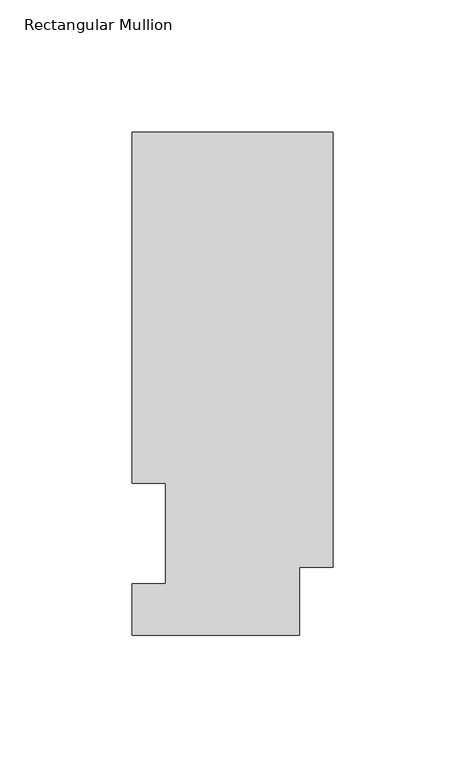
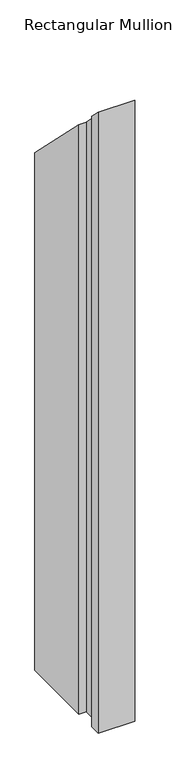
"""IFC4 building model written with IfcOpenShell, lengths in millimetres: member geometry, Rectangular Mullion."""

from ifc_helpers import new_model, si_unit, origin, place, context, project, spatial, faceted_brep, source, transform, mapped, element, save


def rectangular_mullion_45fcce21(model_context):
    return source(origin(), model_context, "Body", "Brep", [
        faceted_brep([(-76.2, 0.0134937, -1143.0134937), (-76.2, 19.5460937, -1143.0134937), (-63.5127, 19.5460937, -1143.0134937), (-63.5127, 57.6460937, -1143.0134937), (-76.2, 57.6460937, -1143.0134937), (-76.2, 190.5896937, -1143.0134937), (0.0, 190.5896937, -1143.0134937), (0.0, 25.8960937, -1143.0134937), (-12.7, 25.8960937, -1143.0134937), (-12.7, 0.0134937, -1143.0134937), (-12.7, 0.0134937, -0.0134937), (-76.2, 0.0134937, -0.0134937), (-12.7, 25.8960937, -25.8960937), (0.0, 25.8960937, -25.8960937), (0.0, 190.5896937, -190.5896937), (-76.2, 190.5896937, -190.5896937), (-76.2, 57.6460937, -57.6460937), (-63.5127, 57.6460937, -57.6460937), (-63.5127, 19.5460937, -19.5460937), (-76.2, 19.5460937, -19.5460937)], [[[0, 1, 2, 3, 4, 5, 6, 7, 8, 9]], [[10, 11, 0, 9]], [[12, 10, 9, 8]], [[13, 12, 8, 7]], [[14, 13, 7, 6]], [[15, 14, 6, 5]], [[16, 15, 5, 4]], [[17, 16, 4, 3]], [[18, 17, 3, 2]], [[19, 18, 2, 1]], [[11, 19, 1, 0]], [[11, 10, 12, 13, 14, 15, 16, 17, 18, 19]]]),
    ])


if __name__ == "__main__":
    model = new_model("IFC4")
    model_context = context("Model", 3, world=origin())
    ifc_project = project(units=[si_unit("LENGTHUNIT", "METRE", prefix="MILLI")], contexts=[model_context])
    site = spatial("IfcSite", under=ifc_project)
    building = spatial("IfcBuilding", under=site)
    placement = place(None, origin())
    rectangular_mullion_shape = rectangular_mullion_45fcce21(model_context)
    element("IfcMember", 1, ObjectType="Rectangular Mullion", at=placement, inside=building, context=model_context, shape_type="MappedRepresentation", body=[
        mapped(rectangular_mullion_shape, transform((0.0, 0.0, 0.0), x_axis=(1.0, 0.0, 0.0), y_axis=(0.0, 1.0, 0.0), z_axis=(0.0, 0.0, 1.0))),
    ])
    save(model, "model.ifc")
